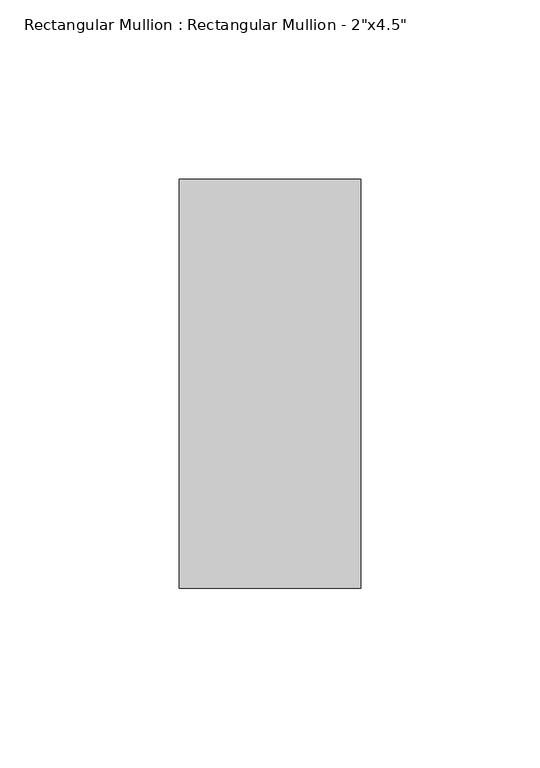
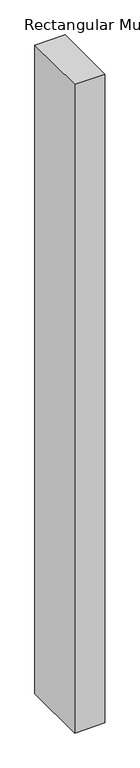
"""IFC4 building model written with IfcOpenShell, lengths in millimetres: member geometry."""

from ifc_helpers import new_model, si_unit, frame, origin, place, context, project, spatial, polyline, outline, extrude, source, transform, mapped, element, save


def member_c29082a9(model_context):
    return source(origin(), model_context, "Body", "SweptSolid", [
        extrude(outline(polyline([(25.4, 57.15), (25.4, -57.15), (-25.4, -57.15), (-25.4, 57.15), (25.4, 57.15)])), frame((0.0, 0.0, -1143.0), z_axis=(0.0, 0.0, 1.0), x_axis=(1.0, 0.0, 0.0)), (0.0, 0.0, 1.0), 1143.0),
    ])


if __name__ == "__main__":
    model = new_model("IFC4")
    model_context = context("Model", 3, world=origin())
    ifc_project = project(units=[si_unit("LENGTHUNIT", "METRE", prefix="MILLI")], contexts=[model_context])
    site = spatial("IfcSite", under=ifc_project)
    building = spatial("IfcBuilding", under=site)
    placement = place(None, origin())
    member_shape = member_c29082a9(model_context)
    element("IfcMember", 1, ObjectType="Rectangular Mullion : Rectangular Mullion - 2\"x4.5\"", at=placement, inside=building, context=model_context, shape_type="MappedRepresentation", body=[
        mapped(member_shape, transform((0.0, 0.0, 0.0), x_axis=(1.0, 0.0, 0.0), y_axis=(0.0, 1.0, 0.0), z_axis=(0.0, 0.0, 1.0))),
    ])
    save(model, "model.ifc")
